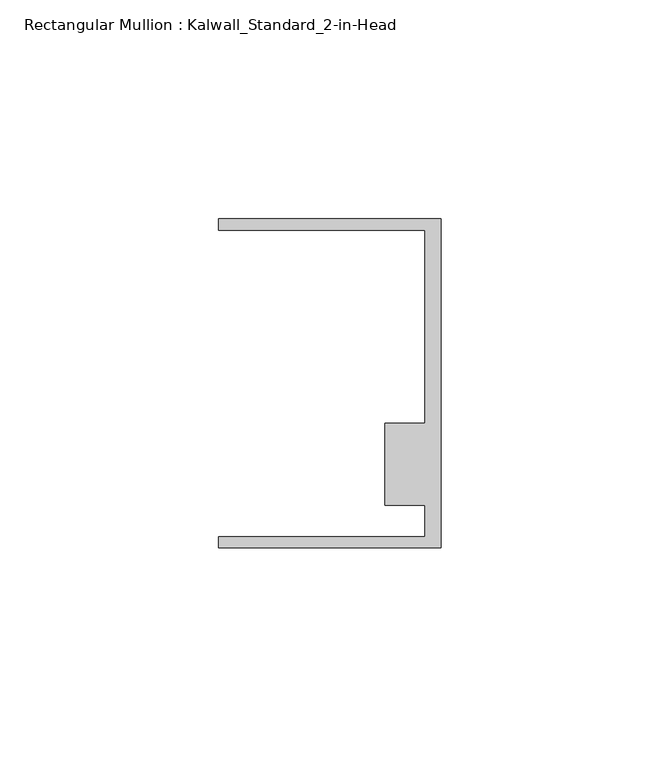
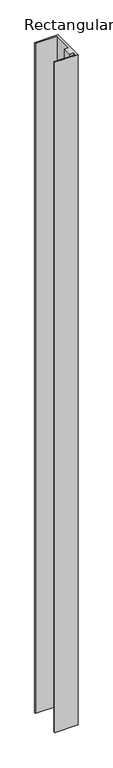
"""IFC4 building model written with IfcOpenShell, lengths in millimetres: member geometry, Rectangular Mullion : Kalwall_Standard_2-in-Head."""

import ifcopenshell
import ifcopenshell.guid

model = None  # the IFC model being written
_history = None  # IfcOwnerHistory: only IFC2X3 demands one
_inside = {}  # id of a spatial element -> (the spatial element, [elements in it])
_under = {}  # id of a project, library or spatial element -> (it, [spatial elements below it])
_declared = {}  # id of a project -> (the project, [libraries it declares])
_typed = {}  # id of a type object -> (the type object, [elements of that type])
_made_of = {}  # id of a material, layer set ... -> (it, [elements and type objects made of it])


def new_model(schema):
    """Start an empty IFC model of exactly this schema.

    Asked for "IFC4X3", IfcOpenShell would pick the latest addendum, in which some entities
    have other attributes; the version numbers below select the first issue.
    IFC2X3 requires an IfcOwnerHistory on every rooted entity: one is made here for all.
    """
    global model, _history
    if schema == "IFC4X3":
        model = ifcopenshell.file(schema_version=(4, 3, 0, 0))
    else:
        model = ifcopenshell.file(schema=schema)
    _inside.clear()
    _under.clear()
    _declared.clear()
    _typed.clear()
    _made_of.clear()
    _history = None
    if model.schema == "IFC2X3":
        org = make("IfcOrganization", Name="unknown")
        user = make(
            "IfcPersonAndOrganization",
            ThePerson=make("IfcPerson", FamilyName="unknown"),
            TheOrganization=org,
        )
        app = make(
            "IfcApplication",
            ApplicationDeveloper=org,
            Version="unknown",
            ApplicationFullName="unknown",
            ApplicationIdentifier="unknown",
        )
        _history = make(
            "IfcOwnerHistory",
            OwningUser=user,
            OwningApplication=app,
            ChangeAction="ADDED",
            CreationDate=0,
        )
    return model


def make(cls, **values):
    """One entity of the class cls with the attributes given. An attribute that is None is left unset."""
    return model.create_entity(
        cls, **{name: value for name, value in values.items() if value is not None}
    )


def rooted(cls, **values):
    """An entity with a GlobalId (a new one), such as an element, a storey or a relation."""
    return make(cls, GlobalId=ifcopenshell.guid.new(), OwnerHistory=_history, **values)


def si_unit(unit_type, name, prefix=None):
    """IfcSIUnit, for example si_unit("LENGTHUNIT", "METRE", prefix="MILLI")."""
    return make("IfcSIUnit", UnitType=unit_type, Prefix=prefix, Name=name)


def assignment(units):
    """IfcUnitAssignment: the units of a project."""
    return None if units is None else make("IfcUnitAssignment", Units=units)


def point(xyz):
    """IfcCartesianPoint."""
    return None if xyz is None else make("IfcCartesianPoint", Coordinates=xyz)


def direction(xyz):
    """IfcDirection."""
    return None if xyz is None else make("IfcDirection", DirectionRatios=xyz)


def frame(location, z_axis=None, x_axis=None):
    """IfcAxis2Placement3D, a coordinate frame: its origin and axes. An axis left out is left unset."""
    return make(
        "IfcAxis2Placement3D",
        Location=point(location),
        Axis=direction(z_axis),
        RefDirection=direction(x_axis),
    )


def origin():
    """The frame at (0, 0, 0) with its axes left unset."""
    return frame((0.0, 0.0, 0.0))


def place(relative_to, where):
    """IfcLocalPlacement: puts the frame where relative to a parent placement (None: the world)."""
    return make(
        "IfcLocalPlacement", PlacementRelTo=relative_to, RelativePlacement=where
    )


def context(
    kind, dimensions, precision=None, world=None, true_north=None, identifier=None
):
    """IfcGeometricRepresentationContext, for example the 3D "Model" context."""
    return make(
        "IfcGeometricRepresentationContext",
        ContextIdentifier=identifier,
        ContextType=kind,
        CoordinateSpaceDimension=dimensions,
        Precision=precision,
        WorldCoordinateSystem=world,
        TrueNorth=true_north,
    )


def project(units=None, contexts=None):
    """IfcProject with its units and contexts."""
    return rooted(
        "IfcProject",
        Name="project",
        RepresentationContexts=contexts,
        UnitsInContext=assignment(units),
    )


def spatial(cls, under=None, at=None, **own):
    """A site, building, storey or space (cls), placed at a placement, below another one or the project."""
    s = rooted(cls, ObjectPlacement=at, **own)
    if under is not None:
        _under.setdefault(under.id(), (under, []))[1].append(s)
    return s


def polyline(points):
    """IfcPolyline through the points."""
    return make("IfcPolyline", Points=[point(p) for p in points])


def outline(outer, holes=None, kind="AREA"):
    """IfcArbitraryClosedProfileDef: a profile drawn as a closed curve; with holes, ...WithVoids."""
    if holes is None:
        return make("IfcArbitraryClosedProfileDef", ProfileType=kind, OuterCurve=outer)
    return make(
        "IfcArbitraryProfileDefWithVoids",
        ProfileType=kind,
        OuterCurve=outer,
        InnerCurves=holes,
    )


def extrude(swept, where, along, depth):
    """IfcExtrudedAreaSolid: the profile swept, set in the frame where, extruded along a direction by depth."""
    return make(
        "IfcExtrudedAreaSolid",
        SweptArea=swept,
        Position=where,
        ExtrudedDirection=direction(along),
        Depth=depth,
    )


def shape(context_of_items, identifier, shape_type, items):
    """IfcShapeRepresentation: the items that make up one representation, for example the "Body"."""
    return make(
        "IfcShapeRepresentation",
        ContextOfItems=context_of_items,
        RepresentationIdentifier=identifier,
        RepresentationType=shape_type,
        Items=items,
    )


def source(mapping_origin, context_of_items, identifier, shape_type, items):
    """IfcRepresentationMap: a shape defined once, which mapped items show again and again."""
    return make(
        "IfcRepresentationMap",
        MappingOrigin=mapping_origin,
        MappedRepresentation=shape(context_of_items, identifier, shape_type, items),
    )


def transform(
    local_origin,
    x_axis=None,
    y_axis=None,
    z_axis=None,
    scale=None,
    scale2=None,
    scale3=None,
    uniform=True,
):
    """IfcCartesianTransformationOperator3D, or its non-uniform kind. x_axis, y_axis, z_axis: its Axis1, 2, 3."""
    if uniform:
        return make(
            "IfcCartesianTransformationOperator3D",
            Axis1=direction(x_axis),
            Axis2=direction(y_axis),
            LocalOrigin=point(local_origin),
            Scale=scale,
            Axis3=direction(z_axis),
        )
    return make(
        "IfcCartesianTransformationOperator3DnonUniform",
        Axis1=direction(x_axis),
        Axis2=direction(y_axis),
        LocalOrigin=point(local_origin),
        Scale=scale,
        Axis3=direction(z_axis),
        Scale2=scale2,
        Scale3=scale3,
    )


def mapped(mapping_source, mapping_target):
    """IfcMappedItem: shows the shape of a source again, moved by a transform."""
    return make(
        "IfcMappedItem", MappingSource=mapping_source, MappingTarget=mapping_target
    )


def made_of(thing, what):
    """Note that an element or type object is made of a material, layer set ...; save() writes the relation."""
    if what is not None:
        _made_of.setdefault(what.id(), (what, []))[1].append(thing)
    return thing


def element(
    cls,
    number,
    at=None,
    inside=None,
    cuts=None,
    type_object=None,
    material=None,
    context=None,
    identifier="Body",
    shape_type=None,
    held_by="IfcProductDefinitionShape",
    body=None,
    shapes=None,
    **own,
):
    """One element of the class cls, such as IfcWall. Its Tag is "e" and its number.

    at: its placement. inside: the storey or other place that contains it. cuts: it is an
    opening in that element (IfcRelVoidsElement). A single representation is given by context,
    identifier, shape_type and body (its items); several are given by shapes. held_by: the class
    of the entity that holds the representations. save() writes the other relations.
    """
    e = rooted(cls, Tag="e%d" % number, ObjectPlacement=at, **own)
    if body is not None:
        shapes = [shape(context, identifier, shape_type, body)]
    if shapes is not None:
        e.Representation = make(held_by, Representations=shapes)
    if inside is not None:
        _inside.setdefault(inside.id(), (inside, []))[1].append(e)
    if cuts is not None:
        rooted(
            "IfcRelVoidsElement", RelatingBuildingElement=cuts, RelatedOpeningElement=e
        )
    if type_object is not None:
        _typed.setdefault(type_object.id(), (type_object, []))[1].append(e)
    return made_of(e, material)


def aggregate(whole, parts):
    """IfcRelAggregates: a whole, such as a stair, and the parts it consists of."""
    return rooted("IfcRelAggregates", RelatingObject=whole, RelatedObjects=parts)


def save(model, path):
    """Write the relations noted so far, then the file.

    IfcRelAggregates (storeys below a building ...), IfcRelContainedInSpatialStructure (elements
    in a storey), IfcRelDefinesByType, IfcRelAssociatesMaterial and IfcRelDeclares: one each for
    every whole, place, type object, material and project.
    """
    for whole, parts in _under.values():
        aggregate(whole, parts)
    for where, things in _inside.values():
        rooted(
            "IfcRelContainedInSpatialStructure",
            RelatedElements=things,
            RelatingStructure=where,
        )
    for kind, things in _typed.values():
        rooted("IfcRelDefinesByType", RelatedObjects=things, RelatingType=kind)
    for what, things in _made_of.values():
        rooted("IfcRelAssociatesMaterial", RelatedObjects=things, RelatingMaterial=what)
    for by, libraries in _declared.values():
        rooted("IfcRelDeclares", RelatingContext=by, RelatedDefinitions=libraries)
    model.write(path)


def rectangular_mullion_kalwall_standard_2_in_head_2b2a2388(model_context):
    return source(origin(), model_context, "Body", "SweptSolid", [
        extrude(outline(polyline([(0.0, -37.5776386), (-50.8, -37.5776386), (-50.8, -35.0376386), (-3.7084, -35.0376386), (-3.7084, -27.8888568), (-12.8272539, -27.8888568), (-12.8272539, -9.1879886), (-3.7084, -9.1879886), (-3.7084, 34.9623614), (-50.8, 34.9623614), (-50.8, 37.5023614), (0.0, 37.5023614), (0.0, -37.5776386)])), frame((0.0, 0.0, -1539.9742188), z_axis=(0.0, 0.0, 1.0), x_axis=(1.0, 0.0, 0.0)), (0.0, 0.0, 1.0), 1539.9742188),
    ])


if __name__ == "__main__":
    model = new_model("IFC4")
    model_context = context("Model", 3, world=origin())
    ifc_project = project(units=[si_unit("LENGTHUNIT", "METRE", prefix="MILLI")], contexts=[model_context])
    site = spatial("IfcSite", under=ifc_project)
    building = spatial("IfcBuilding", under=site)
    placement = place(None, origin())
    rectangular_mullion_kalwall_standard_2_in_head_shape = rectangular_mullion_kalwall_standard_2_in_head_2b2a2388(model_context)
    element("IfcMember", 1, ObjectType="Rectangular Mullion : Kalwall_Standard_2-in-Head", at=placement, inside=building, context=model_context, shape_type="MappedRepresentation", body=[
        mapped(rectangular_mullion_kalwall_standard_2_in_head_shape, transform((0.0, 0.0, 0.0), x_axis=(1.0, 0.0, 0.0), y_axis=(0.0, 1.0, 0.0), z_axis=(0.0, 0.0, 1.0))),
    ])
    save(model, "model.ifc")
